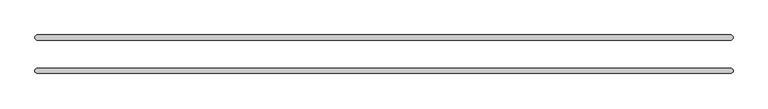
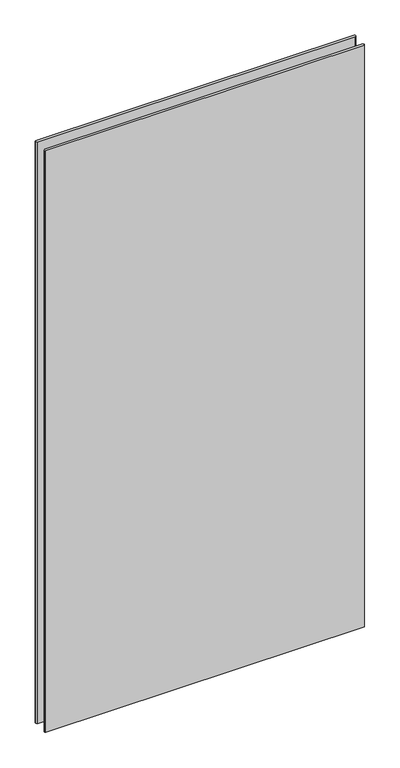
"""IFC4 building model written with IfcOpenShell, lengths in millimetres: plate geometry."""

from ifc_helpers import new_model, si_unit, origin, origin_with_axes, place, context, project, spatial, polyline, outline, extrude, source, transform, mapped, element, save


def plate_1c716606(model_context):
    return source(origin(), model_context, "Body", "SweptSolid", [
        extrude(outline(polyline([(629.046875, -34.925), (-629.046875, -34.925), (-632.221875, -31.75), (-632.221875, -28.575), (-629.046875, -25.4), (629.046875, -25.4), (632.221875, -28.575), (632.221875, -31.75), (629.046875, -34.925)])), origin_with_axes(), (0.0, 0.0, 1.0), 2428.7789267),
        extrude(outline(polyline([(629.046875, 25.4), (-629.046875, 25.4), (-632.221875, 28.575), (-632.221875, 31.75), (-629.046875, 34.925), (629.046875, 34.925), (632.221875, 31.75), (632.221875, 28.575), (629.046875, 25.4)])), origin_with_axes(), (0.0, 0.0, 1.0), 2428.7789267),
    ])


if __name__ == "__main__":
    model = new_model("IFC4")
    model_context = context("Model", 3, world=origin())
    ifc_project = project(units=[si_unit("LENGTHUNIT", "METRE", prefix="MILLI")], contexts=[model_context])
    site = spatial("IfcSite", under=ifc_project)
    building = spatial("IfcBuilding", under=site)
    placement = place(None, origin())
    plate_shape = plate_1c716606(model_context)
    element("IfcPlate", 1, at=placement, inside=building, context=model_context, shape_type="MappedRepresentation", body=[
        mapped(plate_shape, transform((0.0, 0.0, 0.0), x_axis=(1.0, 0.0, 0.0), y_axis=(0.0, 1.0, 0.0), z_axis=(0.0, 0.0, 1.0))),
    ])
    save(model, "model.ifc")
